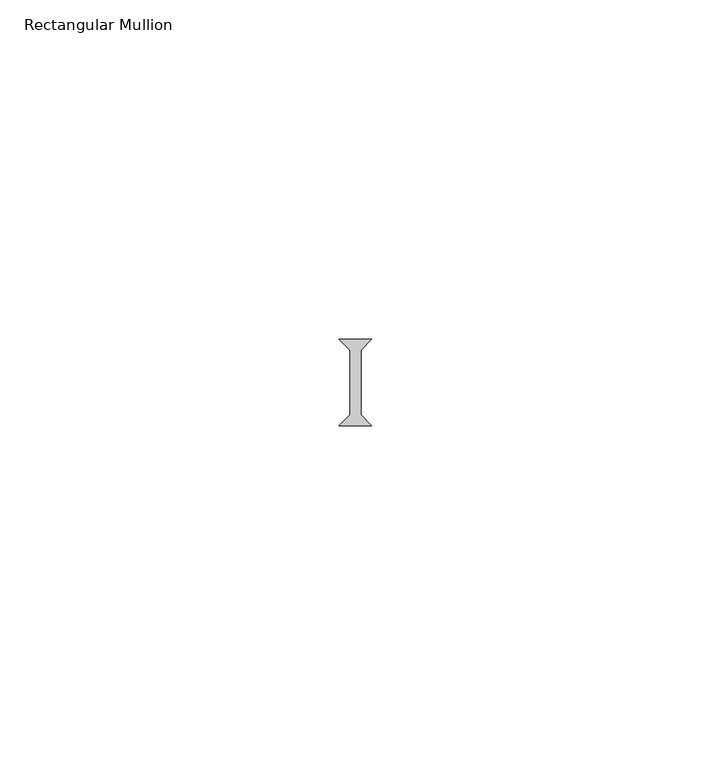
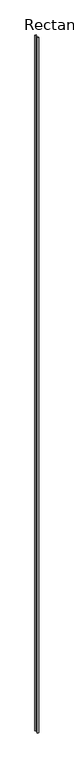
"""IFC4 building model written with IfcOpenShell, lengths in millimetres: member geometry, Rectangular Mullion."""

from ifc_helpers import new_model, si_unit, frame, origin, place, context, project, spatial, polyline, outline, extrude, source, transform, mapped, element, save


def rectangular_mullion_872e3319(model_context):
    return source(origin(), model_context, "Body", "SweptSolid", [
        extrude(outline(polyline([(-2.38125, -23.8125), (2.38125, -23.8125), (0.79375, -25.4), (0.79375, -34.925), (2.38125, -36.5125), (-2.38125, -36.5125), (-0.79375, -34.925), (-0.79375, -25.4), (-2.38125, -23.8125)])), frame((0.0, 0.0, -2336.8), z_axis=(0.0, 0.0, 1.0), x_axis=(1.0, 0.0, 0.0)), (0.0, 0.0, 1.0), 2336.8),
    ])


if __name__ == "__main__":
    model = new_model("IFC4")
    model_context = context("Model", 3, world=origin())
    ifc_project = project(units=[si_unit("LENGTHUNIT", "METRE", prefix="MILLI")], contexts=[model_context])
    site = spatial("IfcSite", under=ifc_project)
    building = spatial("IfcBuilding", under=site)
    placement = place(None, origin())
    rectangular_mullion_shape = rectangular_mullion_872e3319(model_context)
    element("IfcMember", 1, ObjectType="Rectangular Mullion", at=placement, inside=building, context=model_context, shape_type="MappedRepresentation", body=[
        mapped(rectangular_mullion_shape, transform((0.0, 0.0, 0.0), x_axis=(1.0, 0.0, 0.0), y_axis=(0.0, 1.0, 0.0), z_axis=(0.0, 0.0, 1.0))),
    ])
    save(model, "model.ifc")
